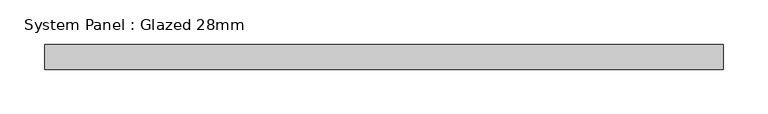
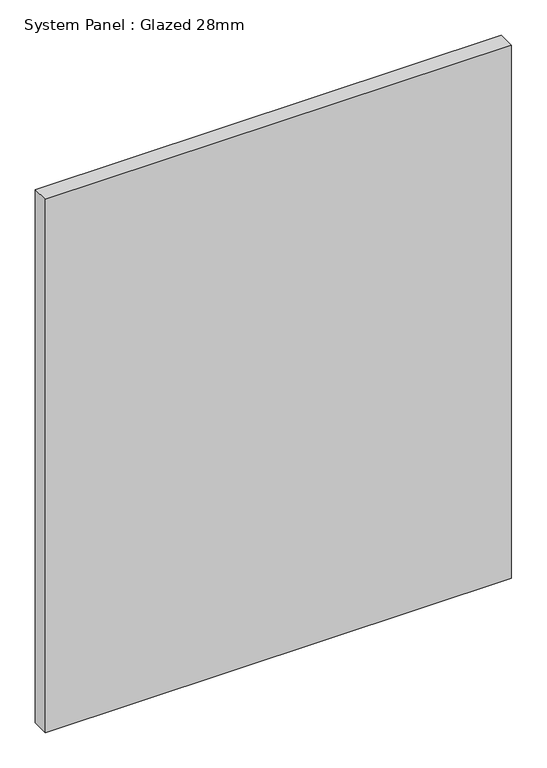
"""IFC4 building model written with IfcOpenShell, lengths in millimetres: plate geometry, System Panel : Glazed 28mm."""

from ifc_helpers import new_model, si_unit, origin, origin_with_axes, place, context, project, spatial, polyline, outline, extrude, source, transform, mapped, element, save


def system_panel_glazed_28mm_4d3ddb84(model_context):
    return source(origin(), model_context, "Body", "SweptSolid", [
        extrude(outline(polyline([(380.5468575, -14.0), (-380.5468575, -14.0), (-380.5468575, 14.0), (380.5468575, 14.0), (380.5468575, -14.0)])), origin_with_axes(), (0.0, 0.0, 1.0), 920.6650062),
    ])


if __name__ == "__main__":
    model = new_model("IFC4")
    model_context = context("Model", 3, world=origin())
    ifc_project = project(units=[si_unit("LENGTHUNIT", "METRE", prefix="MILLI")], contexts=[model_context])
    site = spatial("IfcSite", under=ifc_project)
    building = spatial("IfcBuilding", under=site)
    placement = place(None, origin())
    system_panel_glazed_28mm_shape = system_panel_glazed_28mm_4d3ddb84(model_context)
    element("IfcPlate", 1, ObjectType="System Panel : Glazed 28mm", at=placement, inside=building, context=model_context, shape_type="MappedRepresentation", body=[
        mapped(system_panel_glazed_28mm_shape, transform((0.0, 0.0, 0.0), x_axis=(1.0, 0.0, 0.0), y_axis=(0.0, 1.0, 0.0), z_axis=(0.0, 0.0, 1.0))),
    ])
    save(model, "model.ifc")
